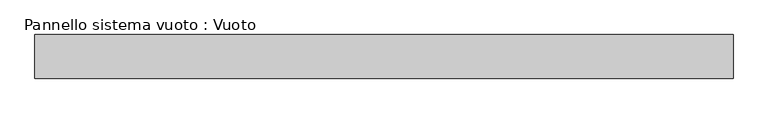
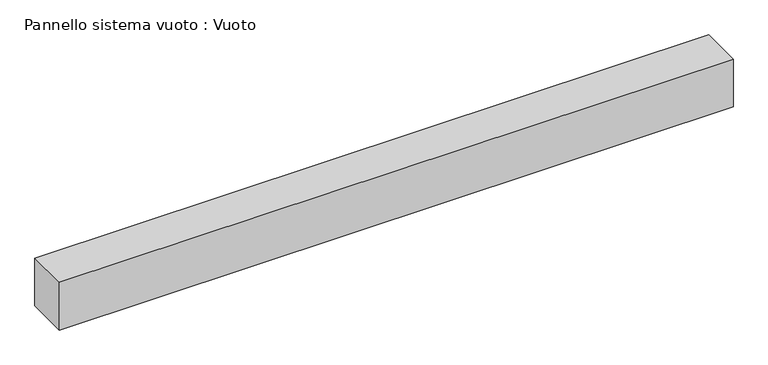
"""IFC4 building model written with IfcOpenShell, lengths in millimetres: plate geometry, Pannello sistema vuoto : Vuoto."""

from ifc_helpers import new_model, si_unit, origin, origin_with_axes, place, context, project, spatial, polyline, outline, extrude, source, transform, mapped, element, save


def pannello_sistema_vuoto_vuoto_43244416(model_context):
    return source(origin(), model_context, "Body", "SweptSolid", [
        extrude(outline(polyline([(800.0, 50.0), (-800.0, 50.0), (-800.0, 150.0), (800.0, 150.0), (800.0, 50.0)])), origin_with_axes(), (0.0, 0.0, 1.0), 120.0),
    ])


if __name__ == "__main__":
    model = new_model("IFC4")
    model_context = context("Model", 3, world=origin())
    ifc_project = project(units=[si_unit("LENGTHUNIT", "METRE", prefix="MILLI")], contexts=[model_context])
    site = spatial("IfcSite", under=ifc_project)
    building = spatial("IfcBuilding", under=site)
    placement = place(None, origin())
    pannello_sistema_vuoto_vuoto_shape = pannello_sistema_vuoto_vuoto_43244416(model_context)
    element("IfcPlate", 1, ObjectType="Pannello sistema vuoto : Vuoto", at=placement, inside=building, context=model_context, shape_type="MappedRepresentation", body=[
        mapped(pannello_sistema_vuoto_vuoto_shape, transform((0.0, 0.0, 0.0), x_axis=(1.0, 0.0, 0.0), y_axis=(0.0, 1.0, 0.0), z_axis=(0.0, 0.0, 1.0))),
    ])
    save(model, "model.ifc")
